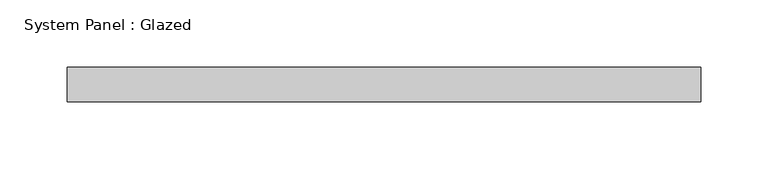
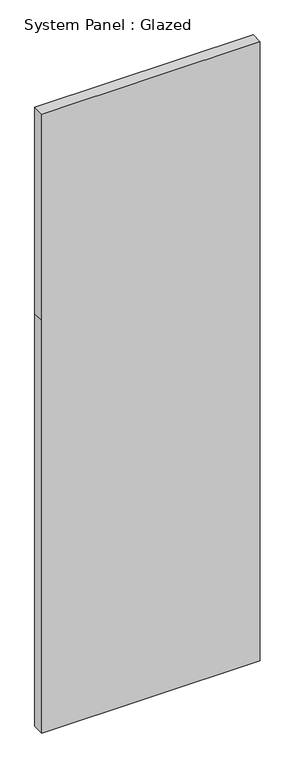
"""IFC4 building model written with IfcOpenShell, lengths in millimetres: plate geometry, System Panel : Glazed."""

from ifc_helpers import new_model, si_unit, frame, origin, place, context, project, spatial, polyline, outline, extrude, source, transform, mapped, element, save


def system_panel_glazed_f7ce4e1a(model_context):
    return source(origin(), model_context, "Body", "SweptSolid", [
        extrude(outline(polyline([(0.0, -234.6092615), (0.0, 234.6092615), (936.5, 234.6092615), (1404.75, 234.6092615), (1404.75, -234.6092615), (936.5, -234.6092615), (0.0, -234.6092615)])), frame((0.0, 19.05, 0.0), z_axis=(0.0, 1.0, 0.0), x_axis=(0.0, 0.0, 1.0)), (0.0, 0.0, 1.0), 25.4),
    ])


if __name__ == "__main__":
    model = new_model("IFC4")
    model_context = context("Model", 3, world=origin())
    ifc_project = project(units=[si_unit("LENGTHUNIT", "METRE", prefix="MILLI")], contexts=[model_context])
    site = spatial("IfcSite", under=ifc_project)
    building = spatial("IfcBuilding", under=site)
    placement = place(None, origin())
    system_panel_glazed_shape = system_panel_glazed_f7ce4e1a(model_context)
    element("IfcPlate", 1, ObjectType="System Panel : Glazed", at=placement, inside=building, context=model_context, shape_type="MappedRepresentation", body=[
        mapped(system_panel_glazed_shape, transform((0.0, 0.0, 0.0), x_axis=(1.0, 0.0, 0.0), y_axis=(0.0, 1.0, 0.0), z_axis=(0.0, 0.0, 1.0))),
    ])
    save(model, "model.ifc")
